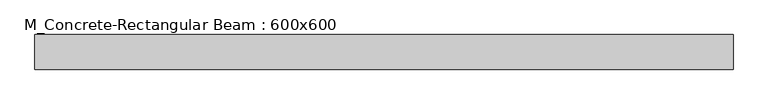
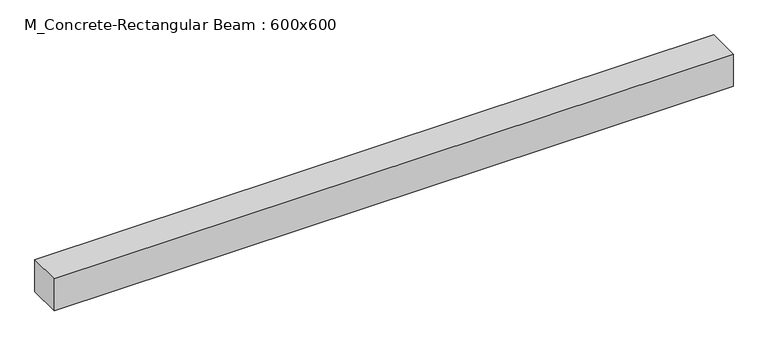
"""IFC4 building model written with IfcOpenShell, lengths in millimetres: beam geometry, M_Concrete-Rectangular Beam : 600x600."""

from ifc_helpers import new_model, si_unit, frame, origin, place, context, project, spatial, polyline, outline, extrude, source, transform, mapped, element, save


def m_concrete_rectangular_beam_600x600_8353f1cd(model_context):
    return source(origin(), model_context, "Body", "SweptSolid", [
        extrude(outline(polyline([(6050.0, 300.0), (6050.0, -300.0), (-6050.0, -300.0), (-6050.0, 300.0), (6050.0, 300.0)])), frame((0.0, 0.0, -300.0), z_axis=(0.0, 0.0, 1.0), x_axis=(1.0, 0.0, 0.0)), (0.0, 0.0, 1.0), 600.0),
    ])


if __name__ == "__main__":
    model = new_model("IFC4")
    model_context = context("Model", 3, world=origin())
    ifc_project = project(units=[si_unit("LENGTHUNIT", "METRE", prefix="MILLI")], contexts=[model_context])
    site = spatial("IfcSite", under=ifc_project)
    building = spatial("IfcBuilding", under=site)
    placement = place(None, origin())
    m_concrete_rectangular_beam_600x600_shape = m_concrete_rectangular_beam_600x600_8353f1cd(model_context)
    element("IfcBeam", 1, ObjectType="M_Concrete-Rectangular Beam : 600x600", at=placement, inside=building, context=model_context, shape_type="MappedRepresentation", body=[
        mapped(m_concrete_rectangular_beam_600x600_shape, transform((0.0, 0.0, 0.0), x_axis=(1.0, 0.0, 0.0), y_axis=(0.0, 1.0, 0.0), z_axis=(0.0, 0.0, 1.0))),
    ])
    save(model, "model.ifc")
